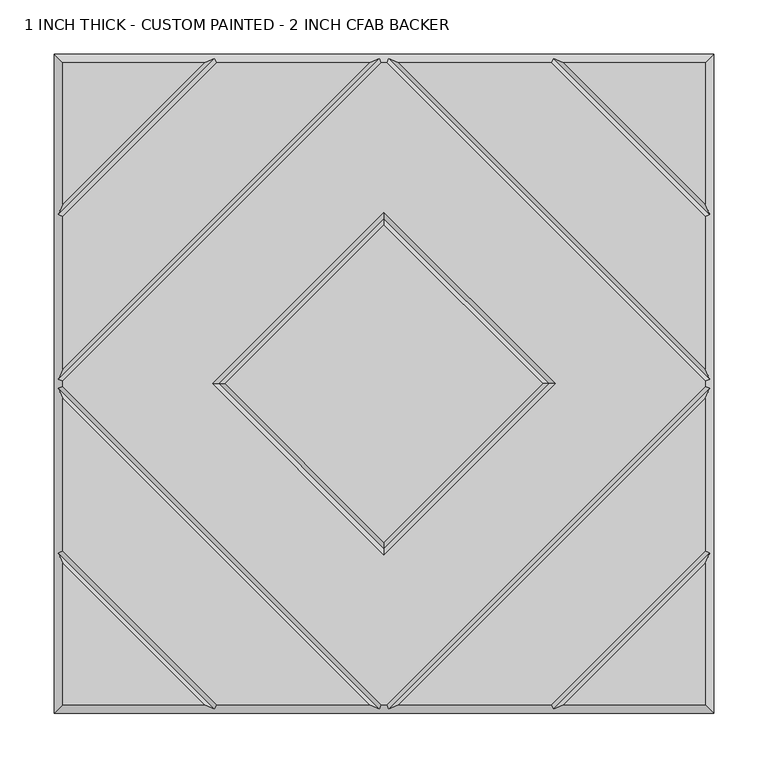
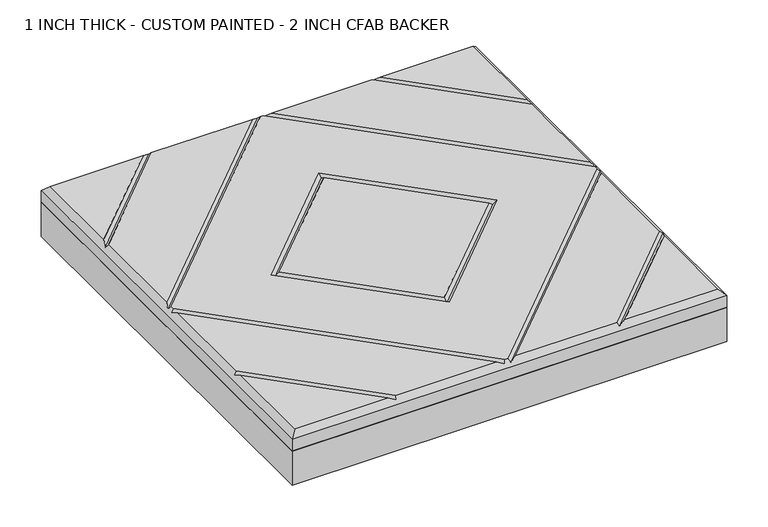
"""IFC4 building model written with IfcOpenShell, lengths in millimetres: proxy geometry, 1 INCH THICK - CUSTOM PAINTED - 2 INCH CFAB BACKER."""

from ifc_helpers import new_model, si_unit, frame, origin, place, context, project, spatial, polyline, outline, extrude, faceted_brep, source, transform, mapped, element, save


def proxy_1_inch_thick_custom_painted_2_inch_cfab_backer_8f2d5809(model_context):
    return source(origin(), model_context, "Body", "SolidModel", [
        extrude(outline(polyline([(-304.8, 304.8), (304.8, 304.8), (304.8, -304.8), (-304.8, -304.8), (-304.8, 304.8)])), frame((0.0, 0.0, -50.8), z_axis=(0.0, 0.0, 1.0), x_axis=(1.0, 0.0, 0.0)), (0.0, 0.0, 1.0), 50.8),
        faceted_brep([(296.799, 166.0585868, 25.4), (296.799, 296.799, 25.4), (166.0585868, 296.799, 25.4), (-166.0585868, 296.799, 25.4), (-296.799, 296.799, 25.4), (-296.799, 166.0585868, 25.4), (-2.3434382, -296.799, 25.4), (2.3434382, -296.799, 25.4), (296.799, -2.3434137, 25.4), (296.799, 2.3434632, 25.4), (2.3434141, 296.799, 25.4), (-2.343464, 296.799, 25.4), (-296.799, 2.343464, 25.4), (-296.799, -2.3434137, 25.4), (-158.0575614, 2.54e-05, 25.4), (0.0, 158.0575868, 25.4), (158.0575614, 2.54e-05, 25.4), (0.0, -158.057536, 25.4), (-296.799, -296.799, 25.4), (-166.0590079, -296.799, 25.4), (-296.799, -166.0585721, 25.4), (166.0590079, -296.799, 25.4), (296.799, -296.799, 25.4), (296.799, -166.0585721, 25.4), (-154.743464, 296.799, 25.4), (-296.799, 154.743464, 25.4), (-296.799, 13.6585868, 25.4), (-13.6585868, 296.799, 25.4), (-13.6585605, -296.799, 25.4), (-296.799, -13.6585369, 25.4), (-296.799, -154.7434305, 25.4), (-154.743904, -296.799, 25.4), (296.799, -13.6585369, 25.4), (13.6585605, -296.799, 25.4), (154.743904, -296.799, 25.4), (296.799, -154.7434305, 25.4), (13.6585378, 296.799, 25.4), (296.799, 13.658585, 25.4), (296.799, 154.743464, 25.4), (154.743464, 296.799, 25.4), (0.0, 146.742464, 25.4), (-146.7424386, 2.54e-05, 25.4), (0.0, -146.7424132, 25.4), (146.7424386, 2.54e-05, 25.4), (-304.8, 304.8, 0.0), (304.8, 304.8, 0.0), (304.8, -304.8, 0.0), (-304.8, -304.8, 0.0), (-304.8, -304.8, 17.399), (-304.8, 304.8, 17.399), (304.8, -304.8, 17.399), (304.8, 304.8, 17.399), (-156.4005254, 300.7995, 21.3995), (-4.0005254, 300.7995, 21.3995), (4.0004753, 300.7995, 21.3995), (156.4005254, 300.7995, 21.3995), (-300.7995, -156.4004879, 21.3995), (-300.7995, -4.0004749, 21.3995), (-300.7995, 4.0005254, 21.3995), (-300.7995, 156.4005254, 21.3995), (156.4009693, -300.7995, 21.3995), (4.0004997, -300.7995, 21.3995), (-4.0004997, -300.7995, 21.3995), (-156.4009693, -300.7995, 21.3995), (300.7995, 156.4005254, 21.3995), (300.7995, 4.0005247, 21.3995), (300.7995, -4.0004749, 21.3995), (300.7995, -156.4004879, 21.3995), (0.0, 152.4000254, 21.3995), (-152.4, 2.54e-05, 21.3995), (0.0, -152.3999746, 21.3995), (152.4, 2.54e-05, 21.3995)], [[[0, 1, 2]], [[3, 4, 5]], [[6, 7, 8, 9, 10, 11, 12, 13], [14, 15, 16, 17]], [[18, 19, 20]], [[21, 22, 23]], [[24, 25, 26, 27]], [[28, 29, 30, 31]], [[32, 33, 34, 35]], [[36, 37, 38, 39]], [[40, 41, 42, 43]], [[44, 45, 46, 47]], [[44, 47, 48, 49]], [[47, 46, 50, 48]], [[46, 45, 51, 50]], [[45, 44, 49, 51]], [[49, 4, 3, 52, 24, 27, 53, 11, 10, 54, 36, 39, 55, 2, 1, 51]], [[4, 49, 48, 18, 20, 56, 30, 29, 57, 13, 12, 58, 26, 25, 59, 5]], [[18, 48, 50, 22, 21, 60, 34, 33, 61, 7, 6, 62, 28, 31, 63, 19]], [[51, 1, 0, 64, 38, 37, 65, 9, 8, 66, 32, 35, 67, 23, 22, 50]], [[52, 59, 25, 24]], [[59, 52, 3, 5]], [[53, 58, 12, 11]], [[58, 53, 27, 26]], [[57, 62, 6, 13]], [[62, 57, 29, 28]], [[61, 66, 8, 7]], [[66, 61, 33, 32]], [[65, 54, 10, 9]], [[54, 65, 37, 36]], [[68, 69, 41, 40]], [[69, 68, 15, 14]], [[41, 69, 70, 42]], [[69, 14, 17, 70]], [[42, 70, 71, 43]], [[70, 17, 16, 71]], [[68, 40, 43, 71]], [[15, 68, 71, 16]], [[56, 63, 31, 30]], [[63, 56, 20, 19]], [[67, 60, 21, 23]], [[60, 67, 35, 34]], [[55, 64, 0, 2]], [[64, 55, 39, 38]]]),
    ])


if __name__ == "__main__":
    model = new_model("IFC4")
    model_context = context("Model", 3, world=origin())
    ifc_project = project(units=[si_unit("LENGTHUNIT", "METRE", prefix="MILLI")], contexts=[model_context])
    site = spatial("IfcSite", under=ifc_project)
    building = spatial("IfcBuilding", under=site)
    placement = place(None, origin())
    proxy_1_inch_thick_custom_painted_2_inch_cfab_backer_shape = proxy_1_inch_thick_custom_painted_2_inch_cfab_backer_8f2d5809(model_context)
    element("IfcBuildingElementProxy", 1, Name="1 INCH THICK - CUSTOM PAINTED - 2 INCH CFAB BACKER", ObjectType="1 INCH THICK - CUSTOM PAINTED - 2 INCH CFAB BACKER", at=placement, inside=building, context=model_context, shape_type="MappedRepresentation", body=[
        mapped(proxy_1_inch_thick_custom_painted_2_inch_cfab_backer_shape, transform((0.0, 0.0, 0.0), x_axis=(1.0, 0.0, 0.0), y_axis=(0.0, 1.0, 0.0), z_axis=(0.0, 0.0, 1.0))),
    ])
    save(model, "model.ifc")
